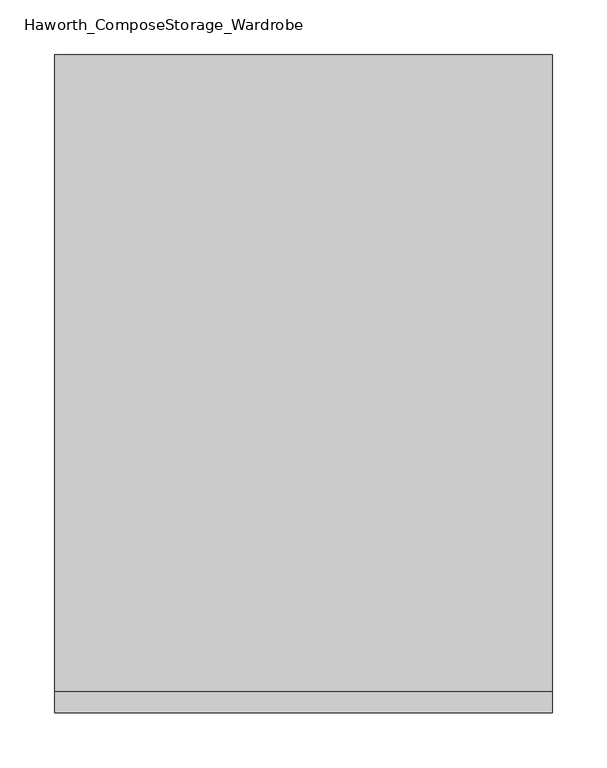
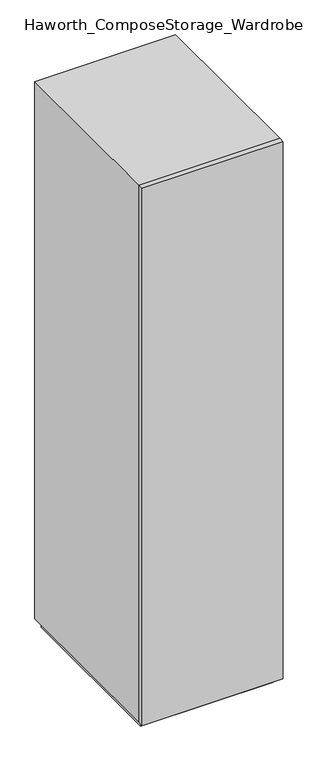
"""IFC4 building model written with IfcOpenShell, lengths in millimetres: furniture geometry, Haworth_ComposeStorage_Wardrobe."""

from ifc_helpers import new_model, si_unit, frame, origin, origin_with_axes, place, context, project, spatial, polyline, outline, extrude, faceted_brep, source, transform, mapped, element, save


def haworth_composestorage_wardrobe_bbd843c8(model_context):
    return source(origin(), model_context, "Body", "SolidModel", [
        extrude(outline(polyline([(227.0263906, -309.5625), (-226.9986094, -309.5625), (-226.9986094, -290.5125), (227.0263906, -290.5125), (227.0263906, -309.5625)])), frame((0.0, 0.0, 25.4), z_axis=(0.0, 0.0, 1.0), x_axis=(1.0, 0.0, 0.0)), (0.0, 0.0, 1.0), 1828.8),
        faceted_brep([(-226.9986094, -290.5125, 25.4), (227.0263906, -290.5125, 25.4), (227.0263906, -290.5125, 1854.2), (-226.9986094, -290.5125, 1854.2), (-207.9486094, -290.5125, 44.45), (-207.9486094, -290.5125, 1835.15), (207.9486094, -290.5125, 1835.15), (207.9486094, -290.5125, 44.45), (-226.9986094, 290.5125, 25.4), (-226.9986094, 290.5125, 1854.2), (227.0263906, 290.5125, 1854.2), (227.0263906, 290.5125, 25.4), (-207.9486094, 271.4625, 44.45), (-207.9486094, 271.4625, 1835.15), (207.9486094, 271.4625, 1835.15), (207.9486094, 271.4625, 44.45)], [[[0, 1, 2, 3], [4, 5, 6, 7]], [[8, 9, 10, 11]], [[1, 0, 8, 11]], [[2, 1, 11, 10]], [[3, 2, 10, 9]], [[0, 3, 9, 8]], [[5, 4, 12, 13]], [[6, 5, 13, 14]], [[7, 6, 14, 15]], [[4, 7, 15, 12]], [[13, 12, 15, 14]]]),
        extrude(outline(polyline([(214.3263906, -277.8125), (-214.2986094, -277.8125), (-214.2986094, 277.8125), (214.3263906, 277.8125), (214.3263906, -277.8125)])), origin_with_axes(), (0.0, 0.0, 1.0), 25.4),
    ])


if __name__ == "__main__":
    model = new_model("IFC4")
    model_context = context("Model", 3, world=origin())
    ifc_project = project(units=[si_unit("LENGTHUNIT", "METRE", prefix="MILLI")], contexts=[model_context])
    site = spatial("IfcSite", under=ifc_project)
    building = spatial("IfcBuilding", under=site)
    placement = place(None, origin())
    haworth_composestorage_wardrobe_shape = haworth_composestorage_wardrobe_bbd843c8(model_context)
    element("IfcFurniture", 1, ObjectType="Haworth_ComposeStorage_Wardrobe", at=placement, inside=building, context=model_context, shape_type="MappedRepresentation", body=[
        mapped(haworth_composestorage_wardrobe_shape, transform((0.0, 0.0, 0.0), x_axis=(1.0, 0.0, 0.0), y_axis=(0.0, 1.0, 0.0), z_axis=(0.0, 0.0, 1.0))),
    ])
    save(model, "model.ifc")
